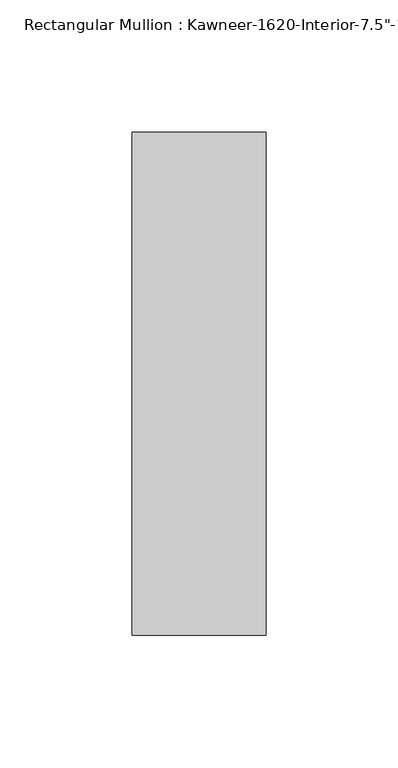
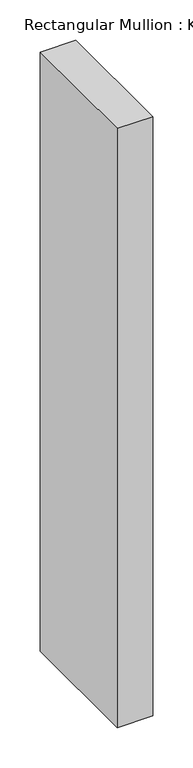
"""IFC4 building model written with IfcOpenShell, lengths in millimetres: member geometry."""

from ifc_helpers import new_model, si_unit, frame, origin, place, context, project, spatial, polyline, outline, extrude, source, transform, mapped, element, save


def member_e2798399(model_context):
    return source(origin(), model_context, "Body", "SweptSolid", [
        extrude(outline(polyline([(25.4, -152.4), (-25.4, -152.4), (-25.4, 38.1), (25.4, 38.1), (25.4, -152.4)])), frame((0.0, 0.0, -907.9098051), z_axis=(0.0, 0.0, 1.0), x_axis=(1.0, 0.0, 0.0)), (0.0, 0.0, 1.0), 907.9098051),
    ])


if __name__ == "__main__":
    model = new_model("IFC4")
    model_context = context("Model", 3, world=origin())
    ifc_project = project(units=[si_unit("LENGTHUNIT", "METRE", prefix="MILLI")], contexts=[model_context])
    site = spatial("IfcSite", under=ifc_project)
    building = spatial("IfcBuilding", under=site)
    placement = place(None, origin())
    member_shape = member_e2798399(model_context)
    element("IfcMember", 1, ObjectType="Rectangular Mullion : Kawneer-1620-Interior-7.5\"-1\"Infill", at=placement, inside=building, context=model_context, shape_type="MappedRepresentation", body=[
        mapped(member_shape, transform((0.0, 0.0, 0.0), x_axis=(1.0, 0.0, 0.0), y_axis=(0.0, 1.0, 0.0), z_axis=(0.0, 0.0, 1.0))),
    ])
    save(model, "model.ifc")
